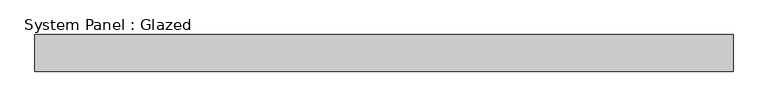
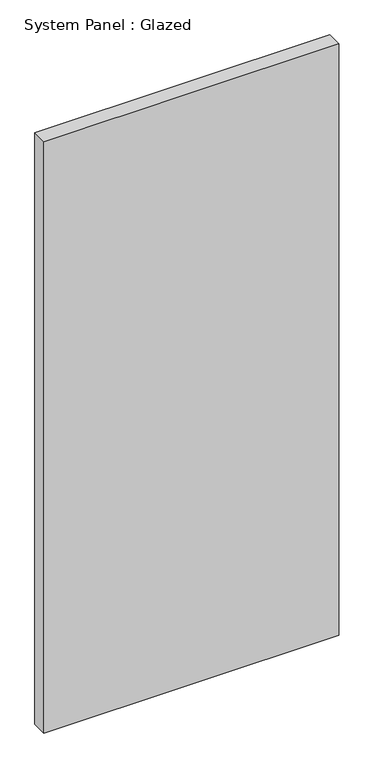
"""IFC4 building model written with IfcOpenShell, lengths in millimetres: plate geometry, System Panel : Glazed."""

from ifc_helpers import new_model, si_unit, origin, origin_with_axes, place, context, project, spatial, polyline, outline, extrude, source, transform, mapped, element, save


def system_panel_glazed_654ca7ec(model_context):
    return source(origin(), model_context, "Body", "SweptSolid", [
        extrude(outline(polyline([(943.3295933, 50.0), (-943.3295933, 50.0), (-943.3295933, 150.0), (943.3295933, 150.0), (943.3295933, 50.0)])), origin_with_axes(), (0.0, 0.0, 1.0), 4000.0),
    ])


if __name__ == "__main__":
    model = new_model("IFC4")
    model_context = context("Model", 3, world=origin())
    ifc_project = project(units=[si_unit("LENGTHUNIT", "METRE", prefix="MILLI")], contexts=[model_context])
    site = spatial("IfcSite", under=ifc_project)
    building = spatial("IfcBuilding", under=site)
    placement = place(None, origin())
    system_panel_glazed_shape = system_panel_glazed_654ca7ec(model_context)
    element("IfcPlate", 1, ObjectType="System Panel : Glazed", at=placement, inside=building, context=model_context, shape_type="MappedRepresentation", body=[
        mapped(system_panel_glazed_shape, transform((0.0, 0.0, 0.0), x_axis=(1.0, 0.0, 0.0), y_axis=(0.0, 1.0, 0.0), z_axis=(0.0, 0.0, 1.0))),
    ])
    save(model, "model.ifc")
